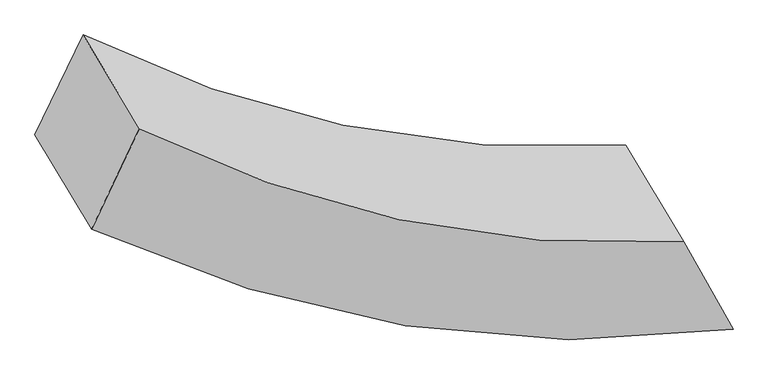
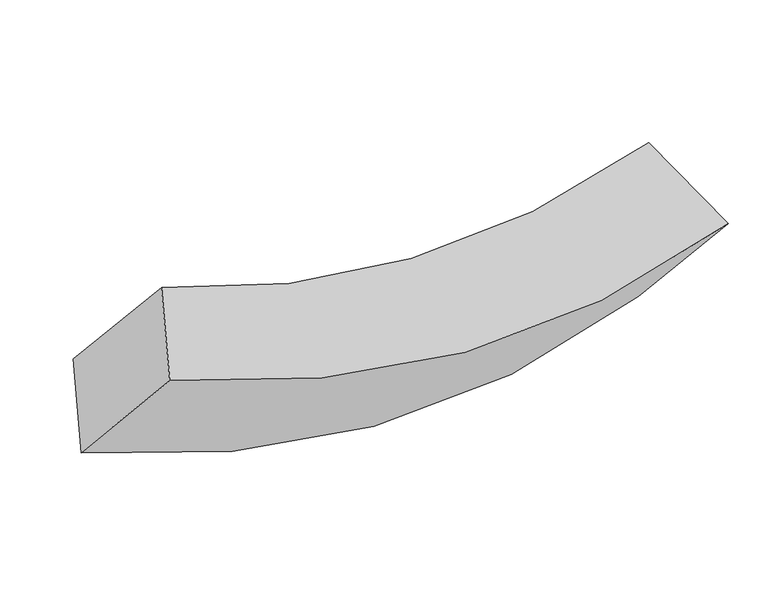
"""IFC4 building model written with IfcOpenShell, lengths in millimetres: proxy geometry."""

from ifc_helpers import new_model, si_unit, frame, origin, place, context, project, spatial, source, transform, mapped, element, save
from ifc_brep_helpers import plane_surface, spline_curve, spline_surface, advanced_brep


def generic_models_6ebb646c(model_context):
    return source(origin(), model_context, "Body", "AdvancedBrep", [
        advanced_brep(
        [(11390.9023148, -3374.0942675, 2458.3932647), (11082.3536697, -2860.3196411, 1734.215547), (8198.7472299, -2273.5589765, 1385.6156852), (8497.4485777, -2770.9365404, 2086.6813481), (11348.0465521, -3329.5152622, 1362.2440098), (7942.0000526, -2804.897375, 1137.9053842), (11652.83345, -3837.026078, 2077.5927356), (8243.0128673, -3306.1238394, 1844.3961651)],
        [
            (0, 1),
            (1, 2, spline_curve(3, [(11082.3536697, -2860.3196411, 1734.215547), (10568.244003089, -2891.042074144, 1561.881898771), (10066.714570064, -2855.418131219, 1447.169293892), (9106.401037864, -2655.144816019, 1335.039446392), (8646.72832434, -2495.181870742, 1333.552097379), (8198.7472299, -2273.5589765, 1385.6156852)], [4, 2, 4], [0.0, 0.5091557945082769, 1.0])),
            (2, 3),
            (3, 0, spline_curve(3, [(8497.4485777, -2770.9365404, 2086.6813481), (8946.025391853, -2993.551387391, 2036.015941582), (9406.792249614, -3155.33622849, 2040.071296725), (10370.35033178, -3361.01215189, 2159.816250658), (10874.068053073, -3400.279886456, 2279.664867685), (11390.9023148, -3374.0942675, 2458.3932647)], [4, 2, 4], [0.0, 0.49084420549172314, 1.0])),
            (1, 4),
            (4, 5, spline_curve(3, [(11348.0465521, -3329.5152622, 1362.2440098), (10762.31354, -3405.533899383, 1187.514794111), (10180.482481556, -3397.513292275, 1082.364150786), (9045.409265677, -3216.704487057, 1012.499344434), (8491.89149104, -3049.852464865, 1042.87044596), (7942.0000526, -2804.897375, 1137.9053842)], [4, 2, 4], [0.0, 5.455616169986538, 10.71502323813355])),
            (5, 2),
            (4, 6),
            (6, 7, spline_curve(3, [(11652.83345, -3837.026078, 2077.5927356), (11070.234936901, -3918.264073938, 1910.220331731), (10489.616298316, -3912.262307996, 1807.91529355), (9353.149287517, -3729.132647877, 1734.779186583), (8797.161065106, -3558.167000816, 1759.352034535), (8243.0128673, -3306.1238394, 1844.3961651)], [4, 2, 4], [0.0, 5.88520723972076, 11.558755302793848])),
            (7, 5),
            (6, 0),
            (3, 7),
        ],
        [
            spline_surface(3, 3, [[(11390.9023148, -3374.0942675, 2458.3932647), (10874.068053076, -3400.27988646, 2279.664867684), (10370.350331775, -3361.012151884, 2159.816250663), (9406.792249619, -3155.336228496, 2040.07129672), (8946.025391859, -2993.551387385, 2036.015941587), (8497.4485777, -2770.9365404, 2086.6813481)], [(11288.052766447, -3202.83605868, 2217.000692127), (10772.126703096, -3230.533949002, 2040.403878041), (10269.138411216, -3192.480811652, 1922.267265081), (9306.661845709, -2988.605757662, 1805.060679955), (8846.25970266, -2827.428215164, 1801.861326853), (8397.881461742, -2605.144019096, 1852.992793801)], [(11185.203218053, -3031.57784992, 1975.608119573), (10670.185353074, -3060.788011604, 1801.142888416), (10167.926490627, -3023.949471448, 1684.71827947), (9206.53144177, -2821.875286857, 1570.050063161), (8746.494013537, -2661.305042957, 1567.706712115), (8298.314345858, -2439.351497804, 1619.304239499)], [(11082.3536697, -2860.3196411, 1734.215547), (10568.244003094, -2891.042074147, 1561.881898773), (10066.714570068, -2855.418131216, 1447.169293888), (9106.401037861, -2655.144816023, 1335.039446396), (8646.728324338, -2495.181870735, 1333.552097381), (8198.7472299, -2273.5589765, 1385.6156852)]], [4, 4], [4, 2, 4], [0.0, 1.0], [0.0, 0.5091557945082769, 1.0]),
            spline_surface(3, 3, [[(11082.3536697, -2860.3196411, 1734.215547), (10568.244003094, -2891.042074147, 1561.881898773), (10066.714570068, -2855.418131216, 1447.169293888), (9106.401037861, -2655.144816023, 1335.039446396), (8646.728324338, -2495.181870735, 1333.552097381), (8198.7472299, -2273.5589765, 1385.6156852)], [(11170.91796384, -3016.718181466, 1610.225034609), (10632.933848721, -3062.539349198, 1437.092863874), (10104.637207188, -3036.116518276, 1325.567579513), (9086.070447144, -2842.331373042, 1227.526079112), (8595.116046606, -2680.072068793, 1236.658213594), (8113.164837473, -2450.671776007, 1303.045584871)], [(11259.48225796, -3173.116721834, 1486.234522191), (10697.623694329, -3234.036624253, 1312.303828947), (10142.559844354, -3216.814905265, 1203.965865093), (9065.739856473, -3029.51792999, 1120.012711783), (8543.503768856, -2864.96226683, 1139.764329793), (8027.582445027, -2627.784575493, 1220.475484529)], [(11348.0465521, -3329.5152622, 1362.2440098), (10762.313539956, -3405.533899304, 1187.514794048), (10180.482481474, -3397.513292325, 1082.364150718), (9045.409265756, -3216.704487009, 1012.4993445), (8491.891491125, -3049.852464888, 1042.870446006), (7942.0000526, -2804.897375, 1137.9053842)]], [4, 4], [4, 2, 4], [0.0, 2.1353497855445425], [0.0, 5.455616169986538, 10.71502323813355]),
            spline_surface(3, 3, [[(11348.0465521, -3329.5152622, 1362.2440098), (10762.313539956, -3405.533899304, 1187.514794048), (10180.482481474, -3397.513292325, 1082.364150718), (9045.409265756, -3216.704487009, 1012.4993445), (8491.891491125, -3049.852464888, 1042.870446006), (7942.0000526, -2804.897375, 1137.9053842)], [(11449.642184715, -3498.685534158, 1600.693585048), (10864.954005587, -3576.443957519, 1428.416639953), (10283.527087127, -3569.096297553, 1324.214531656), (9147.989273004, -3387.513873957, 1253.259291827), (8593.648015784, -3219.290643548, 1281.697642206), (8042.337657517, -2971.972863134, 1373.402311165)], [(11551.237817385, -3667.855806042, 1839.143160352), (10967.594471272, -3747.354015659, 1669.318485914), (10386.571692731, -3740.679302787, 1566.064912654), (9250.569280203, -3558.32326091, 1494.019239215), (8695.404540391, -3388.728822205, 1520.524838412), (8142.675262383, -3139.048351266, 1608.899238135)], [(11652.83345, -3837.026078, 2077.5927356), (11070.234936903, -3918.264073874, 1910.220331819), (10489.616298385, -3912.262308015, 1807.915293592), (9353.149287451, -3729.132647858, 1734.779186543), (8797.16106505, -3558.167000865, 1759.352034613), (8243.0128673, -3306.1238394, 1844.3961651)]], [4, 4], [4, 2, 4], [0.0, 3.0831092516752054], [0.0, 5.88520723972076, 11.558755302793848]),
            spline_surface(3, 3, [[(11652.83345, -3837.026078, 2077.5927356), (11070.234936903, -3918.264073874, 1910.220331819), (10489.616298385, -3912.262308015, 1807.915293592), (9353.149287451, -3729.132647858, 1734.779186543), (8797.16106505, -3558.167000865, 1759.352034613), (8243.0128673, -3306.1238394, 1844.3961651)], [(11565.523071598, -3682.715474496, 2204.526245315), (11004.845975625, -3745.602678066, 2033.368510456), (10449.86097617, -3728.512255959, 1925.215612611), (9371.030274829, -3537.867174725, 1836.543223264), (8846.782507322, -3369.961796368, 1851.573336934), (8327.824770769, -3127.728073063, 1925.157892763)], [(11478.212693202, -3528.404871004, 2331.459754985), (10939.457014354, -3572.941282269, 2156.516689047), (10410.10565399, -3544.76220394, 2042.515931644), (9388.911262241, -3346.601701629, 1938.307259999), (8896.403949587, -3181.756591882, 1943.794639266), (8412.636674231, -2949.332306737, 2005.919620437)], [(11390.9023148, -3374.0942675, 2458.3932647), (10874.068053076, -3400.27988646, 2279.664867684), (10370.350331775, -3361.012151884, 2159.816250663), (9406.792249619, -3155.336228496, 2040.07129672), (8946.025391859, -2993.551387385, 2036.015941587), (8497.4485777, -2770.9365404, 2086.6813481)]], [4, 4], [4, 2, 4], [0.0, 2.140786003294338], [0.0, 5.471821838064663, 10.746851743775476]),
            plane_surface(frame((8220.3021819, -2788.8791828, 1613.6496456), z_axis=(-0.8513914531532305, 0.18206651365264015, 0.4919190767839804), x_axis=(0.32824323942351497, -0.5465687515530724, 0.7704018273592509))),
            plane_surface(frame((11368.5339967, -3350.2388122, 1908.1113893), z_axis=(0.8654732063316412, 0.5007740552768483, -0.013471253973125735), x_axis=(0.4004095248379537, -0.7076757260381502, -0.5821230790781458))),
        ],
        [
            (0, [[1, 2, 3, 4]]),
            (1, [[5, 6, 7, -2]]),
            (2, [[8, 9, 10, -6]]),
            (3, [[11, -4, 12, -9]]),
            (4, [[-10, -12, -3, -7]]),
            (5, [[-11, -8, -5, -1]]),
        ],
    ),
    ])


if __name__ == "__main__":
    model = new_model("IFC4")
    model_context = context("Model", 3, world=origin())
    ifc_project = project(units=[si_unit("LENGTHUNIT", "METRE", prefix="MILLI")], contexts=[model_context])
    site = spatial("IfcSite", under=ifc_project)
    building = spatial("IfcBuilding", under=site)
    placement = place(None, origin())
    generic_models_shape = generic_models_6ebb646c(model_context)
    element("IfcBuildingElementProxy", 1, Name="Generic Models", at=placement, inside=building, context=model_context, shape_type="MappedRepresentation", body=[
        mapped(generic_models_shape, transform((0.0, 0.0, 0.0), x_axis=(1.0, 0.0, 0.0), y_axis=(0.0, 1.0, 0.0), z_axis=(0.0, 0.0, 1.0))),
    ])
    save(model, "model.ifc")
